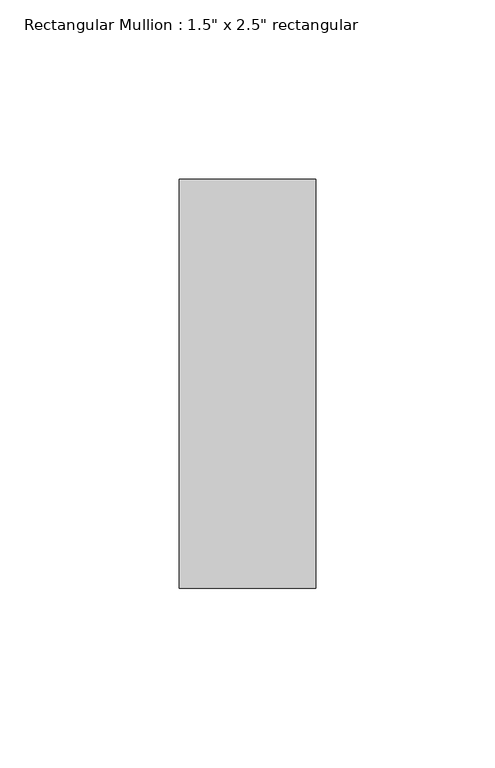
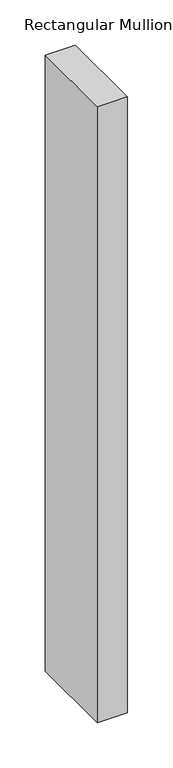
"""IFC4 building model written with IfcOpenShell, lengths in millimetres: member geometry."""

from ifc_helpers import new_model, si_unit, frame, origin, place, context, project, spatial, polyline, outline, extrude, source, transform, mapped, element, save


def member_e3e72751(model_context):
    return source(origin(), model_context, "Body", "SweptSolid", [
        extrude(outline(polyline([(19.05, 57.15), (19.05, -57.15), (-19.05, -57.15), (-19.05, 57.15), (19.05, 57.15)])), frame((0.0, 0.0, -827.6166667), z_axis=(0.0, 0.0, 1.0), x_axis=(1.0, 0.0, 0.0)), (0.0, 0.0, 1.0), 827.6166667),
    ])


if __name__ == "__main__":
    model = new_model("IFC4")
    model_context = context("Model", 3, world=origin())
    ifc_project = project(units=[si_unit("LENGTHUNIT", "METRE", prefix="MILLI")], contexts=[model_context])
    site = spatial("IfcSite", under=ifc_project)
    building = spatial("IfcBuilding", under=site)
    placement = place(None, origin())
    member_shape = member_e3e72751(model_context)
    element("IfcMember", 1, ObjectType="Rectangular Mullion : 1.5\" x 2.5\" rectangular", at=placement, inside=building, context=model_context, shape_type="MappedRepresentation", body=[
        mapped(member_shape, transform((0.0, 0.0, 0.0), x_axis=(1.0, 0.0, 0.0), y_axis=(0.0, 1.0, 0.0), z_axis=(0.0, 0.0, 1.0))),
    ])
    save(model, "model.ifc")
